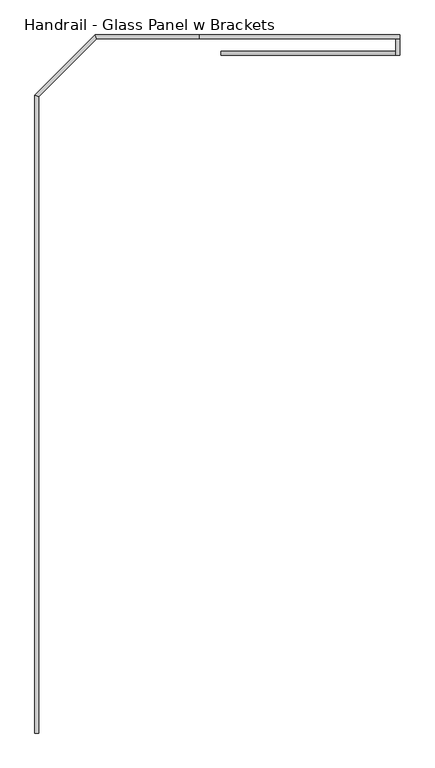
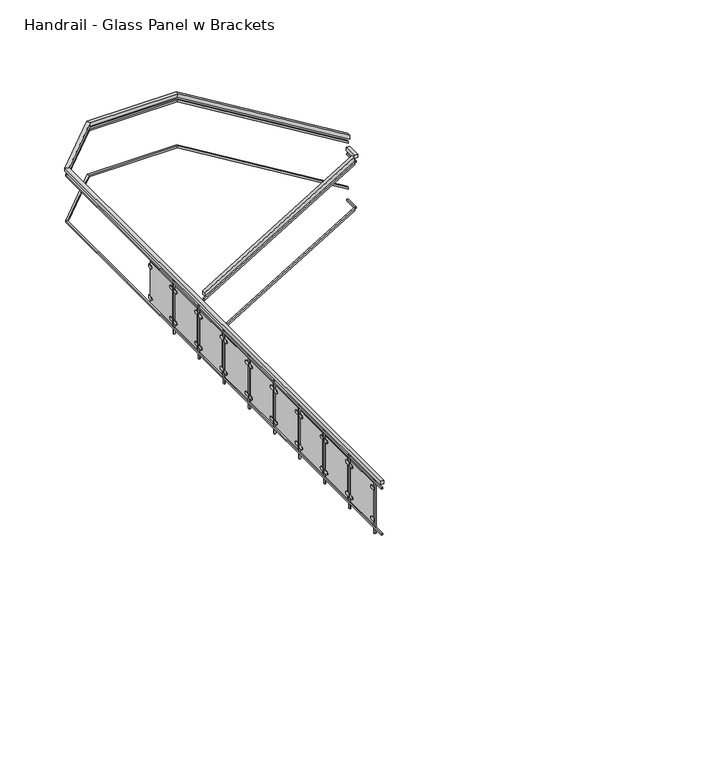
"""IFC4 building model written with IfcOpenShell, lengths in millimetres: railing geometry, Handrail - Glass Panel w Brackets."""

from ifc_helpers import new_model, si_unit, point, frame, frame_2d, origin, place, context, project, spatial, polyline, circle_curve, trimmed, segment, composite_curve, outline, extrude, faceted_brep, source, transform, mapped, element, save


def handrail_glass_panel_w_brackets_721c03f8(model_context):
    return source(origin(), model_context, "Body", "SolidModel", [
        faceted_brep([(-2988.7266552, 9294.177236, 1083.7333333), (-2988.7266552, 9294.177236, 1024.3318731), (-2988.7266552, 9243.377236, 1024.3318731), (-2988.7266552, 9243.377236, 1083.7333333), (-804.3266552, 9294.177236, 2407.6121212), (-804.3266552, 9243.377236, 2407.6121212), (-804.3266552, 9243.377236, 2348.210661), (-804.3266552, 9294.177236, 2348.210661)], [[[0, 1, 2, 3]], [[4, 5, 6, 7]], [[1, 0, 4, 7]], [[2, 1, 7, 6]], [[3, 2, 6, 5]], [[0, 3, 5, 4]]]),
        faceted_brep([(-804.3266552, 9243.377236, 2438.4), (-804.3266552, 9243.377236, 2387.6), (-753.5266552, 9243.377236, 2387.6), (-753.5266552, 9243.377236, 2438.4), (-804.3266552, 9446.577236, 2438.4), (-753.5266552, 9446.577236, 2438.4), (-753.5266552, 9446.577236, 2387.6), (-804.3266552, 9446.577236, 2387.6)], [[[0, 1, 2, 3]], [[4, 5, 6, 7]], [[1, 0, 4, 7]], [[2, 1, 7, 6]], [[3, 2, 6, 5]], [[0, 3, 5, 4]]]),
        faceted_brep([(-753.5266552, 9446.577236, 2607.7333333), (-753.5266552, 9446.577236, 2548.3318731), (-753.5266552, 9497.377236, 2548.3318731), (-753.5266552, 9497.377236, 2607.7333333), (-5271.5516552, 764.3605424, 4126.1376169), (-5322.3516552, 764.3605424, 4126.1376169), (-5322.3516552, 764.3605424, 4075.3376169), (-5271.5516552, 764.3605424, 4075.3376169), (-3258.893723, 9446.577236, 4126.1376169), (-3273.0861325, 9446.577236, 4075.3376169), (-3273.0861325, 9497.377236, 4075.3376169), (-3258.893723, 9497.377236, 4126.1376169), (-4547.0601797, 9446.577236, 4126.1376169), (-4547.0601797, 9446.577236, 4075.3376169), (-4568.1022286, 9497.377236, 4075.3376169), (-4568.1022286, 9497.377236, 4126.1376169), (-5271.5516552, 8722.0857605, 4075.3376169), (-5271.5516552, 8722.0857605, 4126.1376169), (-5322.3516552, 8743.1278095, 4075.3376169), (-5322.3516552, 8743.1278095, 4126.1376169)], [[[0, 1, 2, 3]], [[4, 5, 6, 7]], [[1, 0, 8, 9]], [[2, 1, 9, 10]], [[3, 2, 10, 11]], [[0, 3, 11, 8]], [[9, 8, 12, 13]], [[10, 9, 13, 14]], [[11, 10, 14, 15]], [[8, 11, 15, 12]], [[16, 17, 4, 7]], [[18, 16, 7, 6]], [[19, 18, 6, 5]], [[17, 19, 5, 4]], [[13, 12, 17, 16]], [[14, 13, 16, 18]], [[15, 14, 18, 19]], [[12, 15, 19, 17]]]),
        faceted_brep([(-2988.7266552, 9281.477236, 982.1333333), (-2988.7266552, 9281.477236, 952.4326032), (-2988.7266552, 9256.077236, 952.4326032), (-2988.7266552, 9256.077236, 982.1333333), (-791.6266552, 9281.477236, 2313.7090909), (-791.6266552, 9256.077236, 2313.7090909), (-791.6266552, 9256.077236, 2284.0083608), (-791.6266552, 9281.477236, 2284.0083608)], [[[0, 1, 2, 3]], [[4, 5, 6, 7]], [[1, 0, 4, 7]], [[2, 1, 7, 6]], [[3, 2, 6, 5]], [[0, 3, 5, 4]]]),
        faceted_brep([(-791.6266552, 9256.077236, 2336.8), (-791.6266552, 9256.077236, 2311.4), (-766.2266552, 9256.077236, 2311.4), (-766.2266552, 9256.077236, 2336.8), (-791.6266552, 9459.277236, 2336.8), (-766.2266552, 9459.277236, 2336.8), (-766.2266552, 9459.277236, 2311.4), (-791.6266552, 9459.277236, 2311.4)], [[[0, 1, 2, 3]], [[4, 5, 6, 7]], [[1, 0, 4, 7]], [[2, 1, 7, 6]], [[3, 2, 6, 5]], [[0, 3, 5, 4]]]),
        faceted_brep([(-766.2266552, 9459.277236, 2513.830303), (-766.2266552, 9459.277236, 2484.1295729), (-766.2266552, 9484.677236, 2484.1295729), (-766.2266552, 9484.677236, 2513.830303), (-5284.2516552, 764.3605424, 4024.5376169), (-5309.6516552, 764.3605424, 4024.5376169), (-5309.6516552, 764.3605424, 3999.1376169), (-5284.2516552, 764.3605424, 3999.1376169), (-3258.893723, 9459.277236, 4024.5376169), (-3265.9899277, 9459.277236, 3999.1376169), (-3265.9899277, 9484.677236, 3999.1376169), (-3258.893723, 9484.677236, 4024.5376169), (-4552.3206919, 9459.277236, 4024.5376169), (-4552.3206919, 9459.277236, 3999.1376169), (-4562.8417164, 9484.677236, 3999.1376169), (-4562.8417164, 9484.677236, 4024.5376169), (-5284.2516552, 8727.3462727, 3999.1376169), (-5284.2516552, 8727.3462727, 4024.5376169), (-5309.6516552, 8737.8672972, 3999.1376169), (-5309.6516552, 8737.8672972, 4024.5376169)], [[[0, 1, 2, 3]], [[4, 5, 6, 7]], [[1, 0, 8, 9]], [[2, 1, 9, 10]], [[3, 2, 10, 11]], [[0, 3, 11, 8]], [[9, 8, 12, 13]], [[10, 9, 13, 14]], [[11, 10, 14, 15]], [[8, 11, 15, 12]], [[16, 17, 4, 7]], [[18, 16, 7, 6]], [[19, 18, 6, 5]], [[17, 19, 5, 4]], [[13, 12, 17, 16]], [[14, 13, 16, 18]], [[15, 14, 18, 19]], [[12, 15, 19, 17]]]),
        faceted_brep([(-2988.7266552, 9281.477236, 270.9333333), (-2988.7266552, 9281.477236, 241.2326032), (-2988.7266552, 9256.077236, 241.2326032), (-2988.7266552, 9256.077236, 270.9333333), (-791.6266552, 9281.477236, 1602.5090909), (-791.6266552, 9256.077236, 1602.5090909), (-791.6266552, 9256.077236, 1572.8083608), (-791.6266552, 9281.477236, 1572.8083608)], [[[0, 1, 2, 3]], [[4, 5, 6, 7]], [[1, 0, 4, 7]], [[2, 1, 7, 6]], [[3, 2, 6, 5]], [[0, 3, 5, 4]]]),
        faceted_brep([(-791.6266552, 9256.077236, 1625.6), (-791.6266552, 9256.077236, 1600.2), (-766.2266552, 9256.077236, 1600.2), (-766.2266552, 9256.077236, 1625.6), (-791.6266552, 9459.277236, 1625.6), (-766.2266552, 9459.277236, 1625.6), (-766.2266552, 9459.277236, 1600.2), (-791.6266552, 9459.277236, 1600.2)], [[[0, 1, 2, 3]], [[4, 5, 6, 7]], [[1, 0, 4, 7]], [[2, 1, 7, 6]], [[3, 2, 6, 5]], [[0, 3, 5, 4]]]),
        faceted_brep([(-766.2266552, 9459.277236, 1802.630303), (-766.2266552, 9459.277236, 1772.9295729), (-766.2266552, 9484.677236, 1772.9295729), (-766.2266552, 9484.677236, 1802.630303), (-5284.2516552, 764.3605424, 3313.3376169), (-5309.6516552, 764.3605424, 3313.3376169), (-5309.6516552, 764.3605424, 3287.9376169), (-5284.2516552, 764.3605424, 3287.9376169), (-3258.893723, 9459.277236, 3313.3376169), (-3265.9899277, 9459.277236, 3287.9376169), (-3265.9899277, 9484.677236, 3287.9376169), (-3258.893723, 9484.677236, 3313.3376169), (-4552.3206919, 9459.277236, 3313.3376169), (-4552.3206919, 9459.277236, 3287.9376169), (-4562.8417164, 9484.677236, 3287.9376169), (-4562.8417164, 9484.677236, 3313.3376169), (-5284.2516552, 8727.3462727, 3287.9376169), (-5284.2516552, 8727.3462727, 3313.3376169), (-5309.6516552, 8737.8672972, 3287.9376169), (-5309.6516552, 8737.8672972, 3313.3376169)], [[[0, 1, 2, 3]], [[4, 5, 6, 7]], [[1, 0, 8, 9]], [[2, 1, 9, 10]], [[3, 2, 10, 11]], [[0, 3, 11, 8]], [[9, 8, 12, 13]], [[10, 9, 13, 14]], [[11, 10, 14, 15]], [[8, 11, 15, 12]], [[16, 17, 4, 7]], [[18, 16, 7, 6]], [[19, 18, 6, 5]], [[17, 19, 5, 4]], [[13, 12, 17, 16]], [[14, 13, 16, 18]], [[15, 14, 18, 19]], [[12, 15, 19, 17]]]),
        extrude(outline(polyline([(-5287.4266552, 948.0086637), (-5287.4266552, 928.9586637), (-5306.4766552, 928.9586637), (-5306.4766552, 948.0086637), (-5287.4266552, 948.0086637)])), frame((0.0, 0.0, 3211.7376169), z_axis=(0.0, 0.0, 1.0), x_axis=(1.0, 0.0, 0.0)), (0.0, 0.0, 1.0), 863.6),
        extrude(outline(composite_curve([segment(trimmed(circle_curve(frame_2d((1001.9836637, 3897.5376169)), 25.4), [point((1001.9836637, 3922.9376169))], [point((1001.9836637, 3872.1376169))], False, "CARTESIAN"), True, "CONTINUOUS"), segment(polyline([(1001.9836637, 3872.1376169), (951.1836637, 3872.1376169), (951.1836637, 3922.9376169), (1001.9836637, 3922.9376169)]), True, "CONTINUOUS")], self_intersect=False)), frame((-5309.6516552, 0.0, 0.0), z_axis=(1.0, 0.0, 0.0), x_axis=(0.0, 1.0, 0.0)), (0.0, 0.0, 1.0), 19.05),
        extrude(outline(composite_curve([segment(polyline([(1509.9836637, 3922.9376169), (1560.7836637, 3922.9376169), (1560.7836637, 3872.1376169), (1509.9836637, 3872.1376169)]), True, "CONTINUOUS"), segment(trimmed(circle_curve(frame_2d((1509.9836637, 3897.5376169)), 25.4), [point((1509.9836637, 3872.1376169))], [point((1509.9836637, 3922.9376169))], False, "CARTESIAN"), True, "CONTINUOUS")], self_intersect=False)), frame((-5309.6516552, 0.0, 0.0), z_axis=(1.0, 0.0, 0.0), x_axis=(0.0, 1.0, 0.0)), (0.0, 0.0, 1.0), 19.05),
        extrude(outline(composite_curve([segment(trimmed(circle_curve(frame_2d((1001.9836637, 3414.9376169)), 25.4), [point((1001.9836637, 3440.3376169))], [point((1001.9836637, 3389.5376169))], False, "CARTESIAN"), True, "CONTINUOUS"), segment(polyline([(1001.9836637, 3389.5376169), (951.1836637, 3389.5376169), (951.1836637, 3440.3376169), (1001.9836637, 3440.3376169)]), True, "CONTINUOUS")], self_intersect=False)), frame((-5309.6516552, 0.0, 0.0), z_axis=(1.0, 0.0, 0.0), x_axis=(0.0, 1.0, 0.0)), (0.0, 0.0, 1.0), 19.05),
        extrude(outline(composite_curve([segment(polyline([(1509.9836637, 3440.3376169), (1560.7836637, 3440.3376169), (1560.7836637, 3389.5376169), (1509.9836637, 3389.5376169)]), True, "CONTINUOUS"), segment(trimmed(circle_curve(frame_2d((1509.9836637, 3414.9376169)), 25.4), [point((1509.9836637, 3389.5376169))], [point((1509.9836637, 3440.3376169))], False, "CARTESIAN"), True, "CONTINUOUS")], self_intersect=False)), frame((-5309.6516552, 0.0, 0.0), z_axis=(1.0, 0.0, 0.0), x_axis=(0.0, 1.0, 0.0)), (0.0, 0.0, 1.0), 19.05),
        extrude(outline(polyline([(-5303.3016552, 1535.3836637), (-5296.9516552, 1535.3836637), (-5296.9516552, 976.5836637), (-5303.3016552, 976.5836637), (-5303.3016552, 1535.3836637)])), frame((0.0, 0.0, 3338.7376169), z_axis=(0.0, 0.0, 1.0), x_axis=(1.0, 0.0, 0.0)), (0.0, 0.0, 1.0), 635.0),
        extrude(outline(polyline([(-5287.4266552, 1583.0086637), (-5287.4266552, 1563.9586637), (-5306.4766552, 1563.9586637), (-5306.4766552, 1583.0086637), (-5287.4266552, 1583.0086637)])), frame((0.0, 0.0, 3211.7376169), z_axis=(0.0, 0.0, 1.0), x_axis=(1.0, 0.0, 0.0)), (0.0, 0.0, 1.0), 863.6),
        extrude(outline(composite_curve([segment(trimmed(circle_curve(frame_2d((1636.9836637, 3897.5376169)), 25.4), [point((1636.9836637, 3922.9376169))], [point((1636.9836637, 3872.1376169))], False, "CARTESIAN"), True, "CONTINUOUS"), segment(polyline([(1636.9836637, 3872.1376169), (1586.1836637, 3872.1376169), (1586.1836637, 3922.9376169), (1636.9836637, 3922.9376169)]), True, "CONTINUOUS")], self_intersect=False)), frame((-5309.6516552, 0.0, 0.0), z_axis=(1.0, 0.0, 0.0), x_axis=(0.0, 1.0, 0.0)), (0.0, 0.0, 1.0), 19.05),
        extrude(outline(composite_curve([segment(polyline([(2144.9836637, 3922.9376169), (2195.7836637, 3922.9376169), (2195.7836637, 3872.1376169), (2144.9836637, 3872.1376169)]), True, "CONTINUOUS"), segment(trimmed(circle_curve(frame_2d((2144.9836637, 3897.5376169)), 25.4), [point((2144.9836637, 3872.1376169))], [point((2144.9836637, 3922.9376169))], False, "CARTESIAN"), True, "CONTINUOUS")], self_intersect=False)), frame((-5309.6516552, 0.0, 0.0), z_axis=(1.0, 0.0, 0.0), x_axis=(0.0, 1.0, 0.0)), (0.0, 0.0, 1.0), 19.05),
        extrude(outline(composite_curve([segment(trimmed(circle_curve(frame_2d((1636.9836637, 3414.9376169)), 25.4), [point((1636.9836637, 3440.3376169))], [point((1636.9836637, 3389.5376169))], False, "CARTESIAN"), True, "CONTINUOUS"), segment(polyline([(1636.9836637, 3389.5376169), (1586.1836637, 3389.5376169), (1586.1836637, 3440.3376169), (1636.9836637, 3440.3376169)]), True, "CONTINUOUS")], self_intersect=False)), frame((-5309.6516552, 0.0, 0.0), z_axis=(1.0, 0.0, 0.0), x_axis=(0.0, 1.0, 0.0)), (0.0, 0.0, 1.0), 19.05),
        extrude(outline(composite_curve([segment(polyline([(2144.9836637, 3440.3376169), (2195.7836637, 3440.3376169), (2195.7836637, 3389.5376169), (2144.9836637, 3389.5376169)]), True, "CONTINUOUS"), segment(trimmed(circle_curve(frame_2d((2144.9836637, 3414.9376169)), 25.4), [point((2144.9836637, 3389.5376169))], [point((2144.9836637, 3440.3376169))], False, "CARTESIAN"), True, "CONTINUOUS")], self_intersect=False)), frame((-5309.6516552, 0.0, 0.0), z_axis=(1.0, 0.0, 0.0), x_axis=(0.0, 1.0, 0.0)), (0.0, 0.0, 1.0), 19.05),
        extrude(outline(polyline([(-5303.3016552, 2170.3836637), (-5296.9516552, 2170.3836637), (-5296.9516552, 1611.5836637), (-5303.3016552, 1611.5836637), (-5303.3016552, 2170.3836637)])), frame((0.0, 0.0, 3338.7376169), z_axis=(0.0, 0.0, 1.0), x_axis=(1.0, 0.0, 0.0)), (0.0, 0.0, 1.0), 635.0),
        extrude(outline(polyline([(-5287.4266552, 2218.0086637), (-5287.4266552, 2198.9586637), (-5306.4766552, 2198.9586637), (-5306.4766552, 2218.0086637), (-5287.4266552, 2218.0086637)])), frame((0.0, 0.0, 3211.7376169), z_axis=(0.0, 0.0, 1.0), x_axis=(1.0, 0.0, 0.0)), (0.0, 0.0, 1.0), 863.6),
        extrude(outline(composite_curve([segment(trimmed(circle_curve(frame_2d((2271.9836637, 3897.5376169)), 25.4), [point((2271.9836637, 3922.9376169))], [point((2271.9836637, 3872.1376169))], False, "CARTESIAN"), True, "CONTINUOUS"), segment(polyline([(2271.9836637, 3872.1376169), (2221.1836637, 3872.1376169), (2221.1836637, 3922.9376169), (2271.9836637, 3922.9376169)]), True, "CONTINUOUS")], self_intersect=False)), frame((-5309.6516552, 0.0, 0.0), z_axis=(1.0, 0.0, 0.0), x_axis=(0.0, 1.0, 0.0)), (0.0, 0.0, 1.0), 19.05),
        extrude(outline(composite_curve([segment(polyline([(2779.9836637, 3922.9376169), (2830.7836637, 3922.9376169), (2830.7836637, 3872.1376169), (2779.9836637, 3872.1376169)]), True, "CONTINUOUS"), segment(trimmed(circle_curve(frame_2d((2779.9836637, 3897.5376169)), 25.4), [point((2779.9836637, 3872.1376169))], [point((2779.9836637, 3922.9376169))], False, "CARTESIAN"), True, "CONTINUOUS")], self_intersect=False)), frame((-5309.6516552, 0.0, 0.0), z_axis=(1.0, 0.0, 0.0), x_axis=(0.0, 1.0, 0.0)), (0.0, 0.0, 1.0), 19.05),
        extrude(outline(composite_curve([segment(trimmed(circle_curve(frame_2d((2271.9836637, 3414.9376169)), 25.4), [point((2271.9836637, 3440.3376169))], [point((2271.9836637, 3389.5376169))], False, "CARTESIAN"), True, "CONTINUOUS"), segment(polyline([(2271.9836637, 3389.5376169), (2221.1836637, 3389.5376169), (2221.1836637, 3440.3376169), (2271.9836637, 3440.3376169)]), True, "CONTINUOUS")], self_intersect=False)), frame((-5309.6516552, 0.0, 0.0), z_axis=(1.0, 0.0, 0.0), x_axis=(0.0, 1.0, 0.0)), (0.0, 0.0, 1.0), 19.05),
        extrude(outline(composite_curve([segment(polyline([(2779.9836637, 3440.3376169), (2830.7836637, 3440.3376169), (2830.7836637, 3389.5376169), (2779.9836637, 3389.5376169)]), True, "CONTINUOUS"), segment(trimmed(circle_curve(frame_2d((2779.9836637, 3414.9376169)), 25.4), [point((2779.9836637, 3389.5376169))], [point((2779.9836637, 3440.3376169))], False, "CARTESIAN"), True, "CONTINUOUS")], self_intersect=False)), frame((-5309.6516552, 0.0, 0.0), z_axis=(1.0, 0.0, 0.0), x_axis=(0.0, 1.0, 0.0)), (0.0, 0.0, 1.0), 19.05),
        extrude(outline(polyline([(-5303.3016552, 2805.3836637), (-5296.9516552, 2805.3836637), (-5296.9516552, 2246.5836637), (-5303.3016552, 2246.5836637), (-5303.3016552, 2805.3836637)])), frame((0.0, 0.0, 3338.7376169), z_axis=(0.0, 0.0, 1.0), x_axis=(1.0, 0.0, 0.0)), (0.0, 0.0, 1.0), 635.0),
        extrude(outline(polyline([(-5287.4266552, 2853.0086637), (-5287.4266552, 2833.9586637), (-5306.4766552, 2833.9586637), (-5306.4766552, 2853.0086637), (-5287.4266552, 2853.0086637)])), frame((0.0, 0.0, 3211.7376169), z_axis=(0.0, 0.0, 1.0), x_axis=(1.0, 0.0, 0.0)), (0.0, 0.0, 1.0), 863.6),
        extrude(outline(composite_curve([segment(trimmed(circle_curve(frame_2d((2906.9836637, 3897.5376169)), 25.4), [point((2906.9836637, 3922.9376169))], [point((2906.9836637, 3872.1376169))], False, "CARTESIAN"), True, "CONTINUOUS"), segment(polyline([(2906.9836637, 3872.1376169), (2856.1836637, 3872.1376169), (2856.1836637, 3922.9376169), (2906.9836637, 3922.9376169)]), True, "CONTINUOUS")], self_intersect=False)), frame((-5309.6516552, 0.0, 0.0), z_axis=(1.0, 0.0, 0.0), x_axis=(0.0, 1.0, 0.0)), (0.0, 0.0, 1.0), 19.05),
        extrude(outline(composite_curve([segment(polyline([(3414.9836637, 3922.9376169), (3465.7836637, 3922.9376169), (3465.7836637, 3872.1376169), (3414.9836637, 3872.1376169)]), True, "CONTINUOUS"), segment(trimmed(circle_curve(frame_2d((3414.9836637, 3897.5376169)), 25.4), [point((3414.9836637, 3872.1376169))], [point((3414.9836637, 3922.9376169))], False, "CARTESIAN"), True, "CONTINUOUS")], self_intersect=False)), frame((-5309.6516552, 0.0, 0.0), z_axis=(1.0, 0.0, 0.0), x_axis=(0.0, 1.0, 0.0)), (0.0, 0.0, 1.0), 19.05),
        extrude(outline(composite_curve([segment(trimmed(circle_curve(frame_2d((2906.9836637, 3414.9376169)), 25.4), [point((2906.9836637, 3440.3376169))], [point((2906.9836637, 3389.5376169))], False, "CARTESIAN"), True, "CONTINUOUS"), segment(polyline([(2906.9836637, 3389.5376169), (2856.1836637, 3389.5376169), (2856.1836637, 3440.3376169), (2906.9836637, 3440.3376169)]), True, "CONTINUOUS")], self_intersect=False)), frame((-5309.6516552, 0.0, 0.0), z_axis=(1.0, 0.0, 0.0), x_axis=(0.0, 1.0, 0.0)), (0.0, 0.0, 1.0), 19.05),
        extrude(outline(composite_curve([segment(polyline([(3414.9836637, 3440.3376169), (3465.7836637, 3440.3376169), (3465.7836637, 3389.5376169), (3414.9836637, 3389.5376169)]), True, "CONTINUOUS"), segment(trimmed(circle_curve(frame_2d((3414.9836637, 3414.9376169)), 25.4), [point((3414.9836637, 3389.5376169))], [point((3414.9836637, 3440.3376169))], False, "CARTESIAN"), True, "CONTINUOUS")], self_intersect=False)), frame((-5309.6516552, 0.0, 0.0), z_axis=(1.0, 0.0, 0.0), x_axis=(0.0, 1.0, 0.0)), (0.0, 0.0, 1.0), 19.05),
        extrude(outline(polyline([(-5303.3016552, 3440.3836637), (-5296.9516552, 3440.3836637), (-5296.9516552, 2881.5836637), (-5303.3016552, 2881.5836637), (-5303.3016552, 3440.3836637)])), frame((0.0, 0.0, 3338.7376169), z_axis=(0.0, 0.0, 1.0), x_axis=(1.0, 0.0, 0.0)), (0.0, 0.0, 1.0), 635.0),
        extrude(outline(polyline([(-5287.4266552, 3488.0086637), (-5287.4266552, 3468.9586637), (-5306.4766552, 3468.9586637), (-5306.4766552, 3488.0086637), (-5287.4266552, 3488.0086637)])), frame((0.0, 0.0, 3211.7376169), z_axis=(0.0, 0.0, 1.0), x_axis=(1.0, 0.0, 0.0)), (0.0, 0.0, 1.0), 863.6),
        extrude(outline(composite_curve([segment(trimmed(circle_curve(frame_2d((3541.9836637, 3897.5376169)), 25.4), [point((3541.9836637, 3922.9376169))], [point((3541.9836637, 3872.1376169))], False, "CARTESIAN"), True, "CONTINUOUS"), segment(polyline([(3541.9836637, 3872.1376169), (3491.1836637, 3872.1376169), (3491.1836637, 3922.9376169), (3541.9836637, 3922.9376169)]), True, "CONTINUOUS")], self_intersect=False)), frame((-5309.6516552, 0.0, 0.0), z_axis=(1.0, 0.0, 0.0), x_axis=(0.0, 1.0, 0.0)), (0.0, 0.0, 1.0), 19.05),
        extrude(outline(composite_curve([segment(polyline([(4049.9836637, 3922.9376169), (4100.7836637, 3922.9376169), (4100.7836637, 3872.1376169), (4049.9836637, 3872.1376169)]), True, "CONTINUOUS"), segment(trimmed(circle_curve(frame_2d((4049.9836637, 3897.5376169)), 25.4), [point((4049.9836637, 3872.1376169))], [point((4049.9836637, 3922.9376169))], False, "CARTESIAN"), True, "CONTINUOUS")], self_intersect=False)), frame((-5309.6516552, 0.0, 0.0), z_axis=(1.0, 0.0, 0.0), x_axis=(0.0, 1.0, 0.0)), (0.0, 0.0, 1.0), 19.05),
        extrude(outline(composite_curve([segment(trimmed(circle_curve(frame_2d((3541.9836637, 3414.9376169)), 25.4), [point((3541.9836637, 3440.3376169))], [point((3541.9836637, 3389.5376169))], False, "CARTESIAN"), True, "CONTINUOUS"), segment(polyline([(3541.9836637, 3389.5376169), (3491.1836637, 3389.5376169), (3491.1836637, 3440.3376169), (3541.9836637, 3440.3376169)]), True, "CONTINUOUS")], self_intersect=False)), frame((-5309.6516552, 0.0, 0.0), z_axis=(1.0, 0.0, 0.0), x_axis=(0.0, 1.0, 0.0)), (0.0, 0.0, 1.0), 19.05),
        extrude(outline(composite_curve([segment(polyline([(4049.9836637, 3440.3376169), (4100.7836637, 3440.3376169), (4100.7836637, 3389.5376169), (4049.9836637, 3389.5376169)]), True, "CONTINUOUS"), segment(trimmed(circle_curve(frame_2d((4049.9836637, 3414.9376169)), 25.4), [point((4049.9836637, 3389.5376169))], [point((4049.9836637, 3440.3376169))], False, "CARTESIAN"), True, "CONTINUOUS")], self_intersect=False)), frame((-5309.6516552, 0.0, 0.0), z_axis=(1.0, 0.0, 0.0), x_axis=(0.0, 1.0, 0.0)), (0.0, 0.0, 1.0), 19.05),
        extrude(outline(polyline([(-5303.3016552, 4075.3836637), (-5296.9516552, 4075.3836637), (-5296.9516552, 3516.5836637), (-5303.3016552, 3516.5836637), (-5303.3016552, 4075.3836637)])), frame((0.0, 0.0, 3338.7376169), z_axis=(0.0, 0.0, 1.0), x_axis=(1.0, 0.0, 0.0)), (0.0, 0.0, 1.0), 635.0),
        extrude(outline(polyline([(-5287.4266552, 4123.0086637), (-5287.4266552, 4103.9586637), (-5306.4766552, 4103.9586637), (-5306.4766552, 4123.0086637), (-5287.4266552, 4123.0086637)])), frame((0.0, 0.0, 3211.7376169), z_axis=(0.0, 0.0, 1.0), x_axis=(1.0, 0.0, 0.0)), (0.0, 0.0, 1.0), 863.6),
        extrude(outline(composite_curve([segment(trimmed(circle_curve(frame_2d((4176.9836637, 3897.5376169)), 25.4), [point((4176.9836637, 3922.9376169))], [point((4176.9836637, 3872.1376169))], False, "CARTESIAN"), True, "CONTINUOUS"), segment(polyline([(4176.9836637, 3872.1376169), (4126.1836637, 3872.1376169), (4126.1836637, 3922.9376169), (4176.9836637, 3922.9376169)]), True, "CONTINUOUS")], self_intersect=False)), frame((-5309.6516552, 0.0, 0.0), z_axis=(1.0, 0.0, 0.0), x_axis=(0.0, 1.0, 0.0)), (0.0, 0.0, 1.0), 19.05),
        extrude(outline(composite_curve([segment(polyline([(4684.9836637, 3922.9376169), (4735.7836637, 3922.9376169), (4735.7836637, 3872.1376169), (4684.9836637, 3872.1376169)]), True, "CONTINUOUS"), segment(trimmed(circle_curve(frame_2d((4684.9836637, 3897.5376169)), 25.4), [point((4684.9836637, 3872.1376169))], [point((4684.9836637, 3922.9376169))], False, "CARTESIAN"), True, "CONTINUOUS")], self_intersect=False)), frame((-5309.6516552, 0.0, 0.0), z_axis=(1.0, 0.0, 0.0), x_axis=(0.0, 1.0, 0.0)), (0.0, 0.0, 1.0), 19.05),
        extrude(outline(composite_curve([segment(trimmed(circle_curve(frame_2d((4176.9836637, 3414.9376169)), 25.4), [point((4176.9836637, 3440.3376169))], [point((4176.9836637, 3389.5376169))], False, "CARTESIAN"), True, "CONTINUOUS"), segment(polyline([(4176.9836637, 3389.5376169), (4126.1836637, 3389.5376169), (4126.1836637, 3440.3376169), (4176.9836637, 3440.3376169)]), True, "CONTINUOUS")], self_intersect=False)), frame((-5309.6516552, 0.0, 0.0), z_axis=(1.0, 0.0, 0.0), x_axis=(0.0, 1.0, 0.0)), (0.0, 0.0, 1.0), 19.05),
        extrude(outline(composite_curve([segment(polyline([(4684.9836637, 3440.3376169), (4735.7836637, 3440.3376169), (4735.7836637, 3389.5376169), (4684.9836637, 3389.5376169)]), True, "CONTINUOUS"), segment(trimmed(circle_curve(frame_2d((4684.9836637, 3414.9376169)), 25.4), [point((4684.9836637, 3389.5376169))], [point((4684.9836637, 3440.3376169))], False, "CARTESIAN"), True, "CONTINUOUS")], self_intersect=False)), frame((-5309.6516552, 0.0, 0.0), z_axis=(1.0, 0.0, 0.0), x_axis=(0.0, 1.0, 0.0)), (0.0, 0.0, 1.0), 19.05),
        extrude(outline(polyline([(-5303.3016552, 4710.3836637), (-5296.9516552, 4710.3836637), (-5296.9516552, 4151.5836637), (-5303.3016552, 4151.5836637), (-5303.3016552, 4710.3836637)])), frame((0.0, 0.0, 3338.7376169), z_axis=(0.0, 0.0, 1.0), x_axis=(1.0, 0.0, 0.0)), (0.0, 0.0, 1.0), 635.0),
        extrude(outline(polyline([(-5287.4266552, 4758.0086637), (-5287.4266552, 4738.9586637), (-5306.4766552, 4738.9586637), (-5306.4766552, 4758.0086637), (-5287.4266552, 4758.0086637)])), frame((0.0, 0.0, 3211.7376169), z_axis=(0.0, 0.0, 1.0), x_axis=(1.0, 0.0, 0.0)), (0.0, 0.0, 1.0), 863.6),
        extrude(outline(composite_curve([segment(trimmed(circle_curve(frame_2d((4811.9836637, 3897.5376169)), 25.4), [point((4811.9836637, 3922.9376169))], [point((4811.9836637, 3872.1376169))], False, "CARTESIAN"), True, "CONTINUOUS"), segment(polyline([(4811.9836637, 3872.1376169), (4761.1836637, 3872.1376169), (4761.1836637, 3922.9376169), (4811.9836637, 3922.9376169)]), True, "CONTINUOUS")], self_intersect=False)), frame((-5309.6516552, 0.0, 0.0), z_axis=(1.0, 0.0, 0.0), x_axis=(0.0, 1.0, 0.0)), (0.0, 0.0, 1.0), 19.05),
        extrude(outline(composite_curve([segment(polyline([(5319.9836637, 3922.9376169), (5370.7836637, 3922.9376169), (5370.7836637, 3872.1376169), (5319.9836637, 3872.1376169)]), True, "CONTINUOUS"), segment(trimmed(circle_curve(frame_2d((5319.9836637, 3897.5376169)), 25.4), [point((5319.9836637, 3872.1376169))], [point((5319.9836637, 3922.9376169))], False, "CARTESIAN"), True, "CONTINUOUS")], self_intersect=False)), frame((-5309.6516552, 0.0, 0.0), z_axis=(1.0, 0.0, 0.0), x_axis=(0.0, 1.0, 0.0)), (0.0, 0.0, 1.0), 19.05),
        extrude(outline(composite_curve([segment(trimmed(circle_curve(frame_2d((4811.9836637, 3414.9376169)), 25.4), [point((4811.9836637, 3440.3376169))], [point((4811.9836637, 3389.5376169))], False, "CARTESIAN"), True, "CONTINUOUS"), segment(polyline([(4811.9836637, 3389.5376169), (4761.1836637, 3389.5376169), (4761.1836637, 3440.3376169), (4811.9836637, 3440.3376169)]), True, "CONTINUOUS")], self_intersect=False)), frame((-5309.6516552, 0.0, 0.0), z_axis=(1.0, 0.0, 0.0), x_axis=(0.0, 1.0, 0.0)), (0.0, 0.0, 1.0), 19.05),
        extrude(outline(composite_curve([segment(polyline([(5319.9836637, 3440.3376169), (5370.7836637, 3440.3376169), (5370.7836637, 3389.5376169), (5319.9836637, 3389.5376169)]), True, "CONTINUOUS"), segment(trimmed(circle_curve(frame_2d((5319.9836637, 3414.9376169)), 25.4), [point((5319.9836637, 3389.5376169))], [point((5319.9836637, 3440.3376169))], False, "CARTESIAN"), True, "CONTINUOUS")], self_intersect=False)), frame((-5309.6516552, 0.0, 0.0), z_axis=(1.0, 0.0, 0.0), x_axis=(0.0, 1.0, 0.0)), (0.0, 0.0, 1.0), 19.05),
        extrude(outline(polyline([(-5303.3016552, 5345.3836637), (-5296.9516552, 5345.3836637), (-5296.9516552, 4786.5836637), (-5303.3016552, 4786.5836637), (-5303.3016552, 5345.3836637)])), frame((0.0, 0.0, 3338.7376169), z_axis=(0.0, 0.0, 1.0), x_axis=(1.0, 0.0, 0.0)), (0.0, 0.0, 1.0), 635.0),
        extrude(outline(polyline([(-5287.4266552, 5393.0086637), (-5287.4266552, 5373.9586637), (-5306.4766552, 5373.9586637), (-5306.4766552, 5393.0086637), (-5287.4266552, 5393.0086637)])), frame((0.0, 0.0, 3211.7376169), z_axis=(0.0, 0.0, 1.0), x_axis=(1.0, 0.0, 0.0)), (0.0, 0.0, 1.0), 863.6),
        extrude(outline(composite_curve([segment(trimmed(circle_curve(frame_2d((5446.9836637, 3897.5376169)), 25.4), [point((5446.9836637, 3922.9376169))], [point((5446.9836637, 3872.1376169))], False, "CARTESIAN"), True, "CONTINUOUS"), segment(polyline([(5446.9836637, 3872.1376169), (5396.1836637, 3872.1376169), (5396.1836637, 3922.9376169), (5446.9836637, 3922.9376169)]), True, "CONTINUOUS")], self_intersect=False)), frame((-5309.6516552, 0.0, 0.0), z_axis=(1.0, 0.0, 0.0), x_axis=(0.0, 1.0, 0.0)), (0.0, 0.0, 1.0), 19.05),
        extrude(outline(composite_curve([segment(polyline([(5954.9836637, 3922.9376169), (6005.7836637, 3922.9376169), (6005.7836637, 3872.1376169), (5954.9836637, 3872.1376169)]), True, "CONTINUOUS"), segment(trimmed(circle_curve(frame_2d((5954.9836637, 3897.5376169)), 25.4), [point((5954.9836637, 3872.1376169))], [point((5954.9836637, 3922.9376169))], False, "CARTESIAN"), True, "CONTINUOUS")], self_intersect=False)), frame((-5309.6516552, 0.0, 0.0), z_axis=(1.0, 0.0, 0.0), x_axis=(0.0, 1.0, 0.0)), (0.0, 0.0, 1.0), 19.05),
        extrude(outline(composite_curve([segment(trimmed(circle_curve(frame_2d((5446.9836637, 3414.9376169)), 25.4), [point((5446.9836637, 3440.3376169))], [point((5446.9836637, 3389.5376169))], False, "CARTESIAN"), True, "CONTINUOUS"), segment(polyline([(5446.9836637, 3389.5376169), (5396.1836637, 3389.5376169), (5396.1836637, 3440.3376169), (5446.9836637, 3440.3376169)]), True, "CONTINUOUS")], self_intersect=False)), frame((-5309.6516552, 0.0, 0.0), z_axis=(1.0, 0.0, 0.0), x_axis=(0.0, 1.0, 0.0)), (0.0, 0.0, 1.0), 19.05),
        extrude(outline(composite_curve([segment(polyline([(5954.9836637, 3440.3376169), (6005.7836637, 3440.3376169), (6005.7836637, 3389.5376169), (5954.9836637, 3389.5376169)]), True, "CONTINUOUS"), segment(trimmed(circle_curve(frame_2d((5954.9836637, 3414.9376169)), 25.4), [point((5954.9836637, 3389.5376169))], [point((5954.9836637, 3440.3376169))], False, "CARTESIAN"), True, "CONTINUOUS")], self_intersect=False)), frame((-5309.6516552, 0.0, 0.0), z_axis=(1.0, 0.0, 0.0), x_axis=(0.0, 1.0, 0.0)), (0.0, 0.0, 1.0), 19.05),
        extrude(outline(polyline([(-5303.3016552, 5980.3836637), (-5296.9516552, 5980.3836637), (-5296.9516552, 5421.5836637), (-5303.3016552, 5421.5836637), (-5303.3016552, 5980.3836637)])), frame((0.0, 0.0, 3338.7376169), z_axis=(0.0, 0.0, 1.0), x_axis=(1.0, 0.0, 0.0)), (0.0, 0.0, 1.0), 635.0),
        extrude(outline(polyline([(-5287.4266552, 6028.0086637), (-5287.4266552, 6008.9586637), (-5306.4766552, 6008.9586637), (-5306.4766552, 6028.0086637), (-5287.4266552, 6028.0086637)])), frame((0.0, 0.0, 3211.7376169), z_axis=(0.0, 0.0, 1.0), x_axis=(1.0, 0.0, 0.0)), (0.0, 0.0, 1.0), 863.6),
        extrude(outline(composite_curve([segment(trimmed(circle_curve(frame_2d((6081.9836637, 3897.5376169)), 25.4), [point((6081.9836637, 3922.9376169))], [point((6081.9836637, 3872.1376169))], False, "CARTESIAN"), True, "CONTINUOUS"), segment(polyline([(6081.9836637, 3872.1376169), (6031.1836637, 3872.1376169), (6031.1836637, 3922.9376169), (6081.9836637, 3922.9376169)]), True, "CONTINUOUS")], self_intersect=False)), frame((-5309.6516552, 0.0, 0.0), z_axis=(1.0, 0.0, 0.0), x_axis=(0.0, 1.0, 0.0)), (0.0, 0.0, 1.0), 19.05),
        extrude(outline(composite_curve([segment(polyline([(6589.9836637, 3922.9376169), (6640.7836637, 3922.9376169), (6640.7836637, 3872.1376169), (6589.9836637, 3872.1376169)]), True, "CONTINUOUS"), segment(trimmed(circle_curve(frame_2d((6589.9836637, 3897.5376169)), 25.4), [point((6589.9836637, 3872.1376169))], [point((6589.9836637, 3922.9376169))], False, "CARTESIAN"), True, "CONTINUOUS")], self_intersect=False)), frame((-5309.6516552, 0.0, 0.0), z_axis=(1.0, 0.0, 0.0), x_axis=(0.0, 1.0, 0.0)), (0.0, 0.0, 1.0), 19.05),
        extrude(outline(composite_curve([segment(trimmed(circle_curve(frame_2d((6081.9836637, 3414.9376169)), 25.4), [point((6081.9836637, 3440.3376169))], [point((6081.9836637, 3389.5376169))], False, "CARTESIAN"), True, "CONTINUOUS"), segment(polyline([(6081.9836637, 3389.5376169), (6031.1836637, 3389.5376169), (6031.1836637, 3440.3376169), (6081.9836637, 3440.3376169)]), True, "CONTINUOUS")], self_intersect=False)), frame((-5309.6516552, 0.0, 0.0), z_axis=(1.0, 0.0, 0.0), x_axis=(0.0, 1.0, 0.0)), (0.0, 0.0, 1.0), 19.05),
        extrude(outline(composite_curve([segment(polyline([(6589.9836637, 3440.3376169), (6640.7836637, 3440.3376169), (6640.7836637, 3389.5376169), (6589.9836637, 3389.5376169)]), True, "CONTINUOUS"), segment(trimmed(circle_curve(frame_2d((6589.9836637, 3414.9376169)), 25.4), [point((6589.9836637, 3389.5376169))], [point((6589.9836637, 3440.3376169))], False, "CARTESIAN"), True, "CONTINUOUS")], self_intersect=False)), frame((-5309.6516552, 0.0, 0.0), z_axis=(1.0, 0.0, 0.0), x_axis=(0.0, 1.0, 0.0)), (0.0, 0.0, 1.0), 19.05),
        extrude(outline(polyline([(-5303.3016552, 6615.3836637), (-5296.9516552, 6615.3836637), (-5296.9516552, 6056.5836637), (-5303.3016552, 6056.5836637), (-5303.3016552, 6615.3836637)])), frame((0.0, 0.0, 3338.7376169), z_axis=(0.0, 0.0, 1.0), x_axis=(1.0, 0.0, 0.0)), (0.0, 0.0, 1.0), 635.0),
    ])


if __name__ == "__main__":
    model = new_model("IFC4")
    model_context = context("Model", 3, world=origin())
    ifc_project = project(units=[si_unit("LENGTHUNIT", "METRE", prefix="MILLI")], contexts=[model_context])
    site = spatial("IfcSite", under=ifc_project)
    building = spatial("IfcBuilding", under=site)
    placement = place(None, origin())
    handrail_glass_panel_w_brackets_shape = handrail_glass_panel_w_brackets_721c03f8(model_context)
    element("IfcRailing", 1, ObjectType="Handrail - Glass Panel w Brackets", at=placement, inside=building, context=model_context, shape_type="MappedRepresentation", body=[
        mapped(handrail_glass_panel_w_brackets_shape, transform((0.0, 0.0, 0.0), x_axis=(1.0, 0.0, 0.0), y_axis=(0.0, 1.0, 0.0), z_axis=(0.0, 0.0, 1.0))),
    ])
    save(model, "model.ifc")
